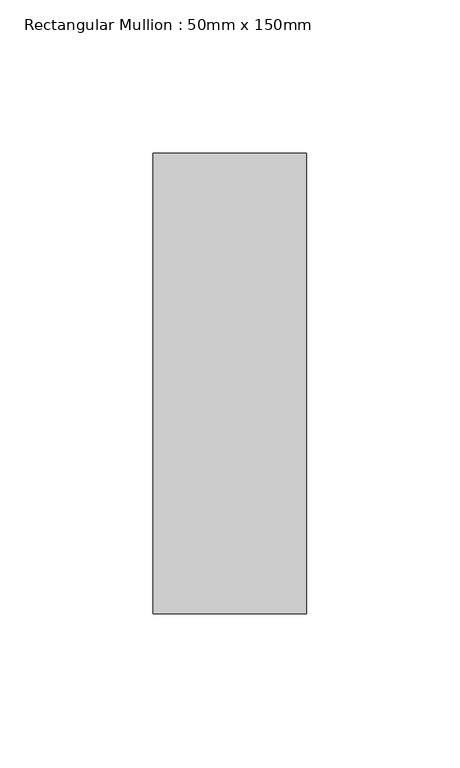
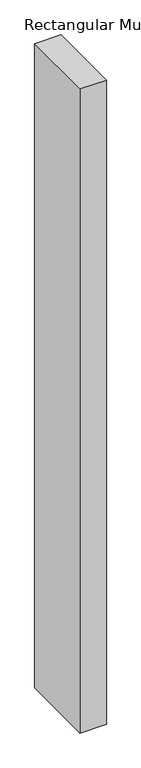
"""IFC4 building model written with IfcOpenShell, lengths in millimetres: member geometry, Rectangular Mullion : 50mm x 150mm."""

from ifc_helpers import new_model, si_unit, frame, origin, place, context, project, spatial, polyline, outline, extrude, source, transform, mapped, element, save


def rectangular_mullion_50mm_x_150mm_f3bec475(model_context):
    return source(origin(), model_context, "Body", "SweptSolid", [
        extrude(outline(polyline([(25.0, 75.0), (25.0, -75.0), (-25.0, -75.0), (-25.0, 75.0), (25.0, 75.0)])), frame((0.0, 0.0, -1299.2837329), z_axis=(0.0, 0.0, 1.0), x_axis=(1.0, 0.0, 0.0)), (0.0, 0.0, 1.0), 1299.2837329),
    ])


if __name__ == "__main__":
    model = new_model("IFC4")
    model_context = context("Model", 3, world=origin())
    ifc_project = project(units=[si_unit("LENGTHUNIT", "METRE", prefix="MILLI")], contexts=[model_context])
    site = spatial("IfcSite", under=ifc_project)
    building = spatial("IfcBuilding", under=site)
    placement = place(None, origin())
    rectangular_mullion_50mm_x_150mm_shape = rectangular_mullion_50mm_x_150mm_f3bec475(model_context)
    element("IfcMember", 1, ObjectType="Rectangular Mullion : 50mm x 150mm", at=placement, inside=building, context=model_context, shape_type="MappedRepresentation", body=[
        mapped(rectangular_mullion_50mm_x_150mm_shape, transform((0.0, 0.0, 0.0), x_axis=(1.0, 0.0, 0.0), y_axis=(0.0, 1.0, 0.0), z_axis=(0.0, 0.0, 1.0))),
    ])
    save(model, "model.ifc")
